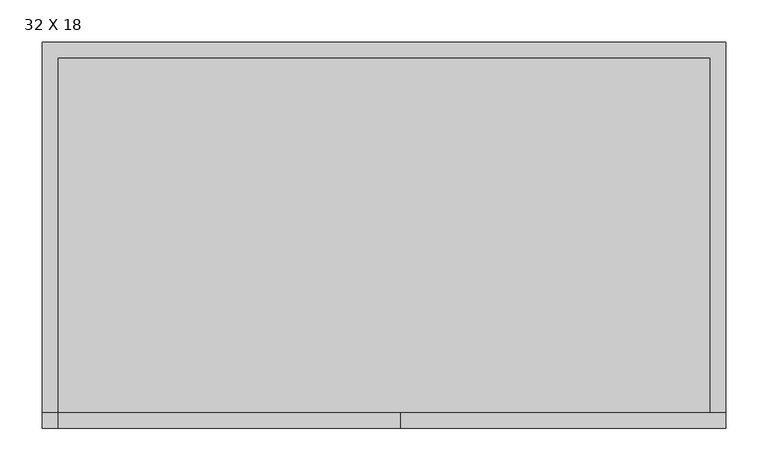
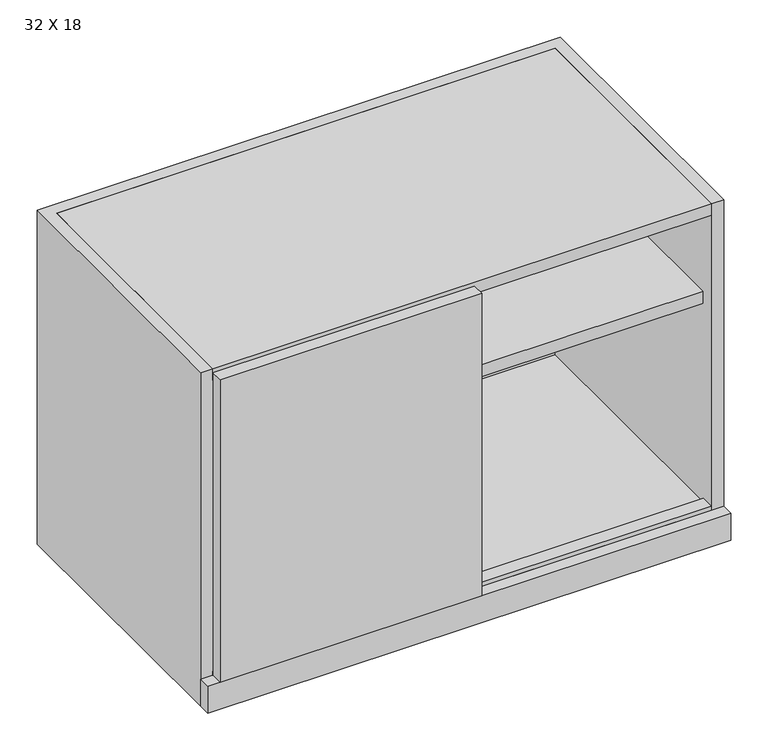
"""IFC4 building model written with IfcOpenShell, lengths in millimetres: furniture geometry, 32 X 18."""

import ifcopenshell
import ifcopenshell.guid

model = None  # the IFC model being written
_history = None  # IfcOwnerHistory: only IFC2X3 demands one
_inside = {}  # id of a spatial element -> (the spatial element, [elements in it])
_under = {}  # id of a project, library or spatial element -> (it, [spatial elements below it])
_declared = {}  # id of a project -> (the project, [libraries it declares])
_typed = {}  # id of a type object -> (the type object, [elements of that type])
_made_of = {}  # id of a material, layer set ... -> (it, [elements and type objects made of it])


def new_model(schema):
    """Start an empty IFC model of exactly this schema.

    Asked for "IFC4X3", IfcOpenShell would pick the latest addendum, in which some entities
    have other attributes; the version numbers below select the first issue.
    IFC2X3 requires an IfcOwnerHistory on every rooted entity: one is made here for all.
    """
    global model, _history
    if schema == "IFC4X3":
        model = ifcopenshell.file(schema_version=(4, 3, 0, 0))
    else:
        model = ifcopenshell.file(schema=schema)
    _inside.clear()
    _under.clear()
    _declared.clear()
    _typed.clear()
    _made_of.clear()
    _history = None
    if model.schema == "IFC2X3":
        org = make("IfcOrganization", Name="unknown")
        user = make(
            "IfcPersonAndOrganization",
            ThePerson=make("IfcPerson", FamilyName="unknown"),
            TheOrganization=org,
        )
        app = make(
            "IfcApplication",
            ApplicationDeveloper=org,
            Version="unknown",
            ApplicationFullName="unknown",
            ApplicationIdentifier="unknown",
        )
        _history = make(
            "IfcOwnerHistory",
            OwningUser=user,
            OwningApplication=app,
            ChangeAction="ADDED",
            CreationDate=0,
        )
    return model


def make(cls, **values):
    """One entity of the class cls with the attributes given. An attribute that is None is left unset."""
    return model.create_entity(
        cls, **{name: value for name, value in values.items() if value is not None}
    )


def rooted(cls, **values):
    """An entity with a GlobalId (a new one), such as an element, a storey or a relation."""
    return make(cls, GlobalId=ifcopenshell.guid.new(), OwnerHistory=_history, **values)


def si_unit(unit_type, name, prefix=None):
    """IfcSIUnit, for example si_unit("LENGTHUNIT", "METRE", prefix="MILLI")."""
    return make("IfcSIUnit", UnitType=unit_type, Prefix=prefix, Name=name)


def assignment(units):
    """IfcUnitAssignment: the units of a project."""
    return None if units is None else make("IfcUnitAssignment", Units=units)


def point(xyz):
    """IfcCartesianPoint."""
    return None if xyz is None else make("IfcCartesianPoint", Coordinates=xyz)


def direction(xyz):
    """IfcDirection."""
    return None if xyz is None else make("IfcDirection", DirectionRatios=xyz)


def frame(location, z_axis=None, x_axis=None):
    """IfcAxis2Placement3D, a coordinate frame: its origin and axes. An axis left out is left unset."""
    return make(
        "IfcAxis2Placement3D",
        Location=point(location),
        Axis=direction(z_axis),
        RefDirection=direction(x_axis),
    )


def origin():
    """The frame at (0, 0, 0) with its axes left unset."""
    return frame((0.0, 0.0, 0.0))


def origin_with_axes():
    """The frame at (0, 0, 0) with the z axis (0, 0, 1) and the x axis (1, 0, 0) written out."""
    return frame((0.0, 0.0, 0.0), z_axis=(0.0, 0.0, 1.0), x_axis=(1.0, 0.0, 0.0))


def place(relative_to, where):
    """IfcLocalPlacement: puts the frame where relative to a parent placement (None: the world)."""
    return make(
        "IfcLocalPlacement", PlacementRelTo=relative_to, RelativePlacement=where
    )


def context(
    kind, dimensions, precision=None, world=None, true_north=None, identifier=None
):
    """IfcGeometricRepresentationContext, for example the 3D "Model" context."""
    return make(
        "IfcGeometricRepresentationContext",
        ContextIdentifier=identifier,
        ContextType=kind,
        CoordinateSpaceDimension=dimensions,
        Precision=precision,
        WorldCoordinateSystem=world,
        TrueNorth=true_north,
    )


def project(units=None, contexts=None):
    """IfcProject with its units and contexts."""
    return rooted(
        "IfcProject",
        Name="project",
        RepresentationContexts=contexts,
        UnitsInContext=assignment(units),
    )


def spatial(cls, under=None, at=None, **own):
    """A site, building, storey or space (cls), placed at a placement, below another one or the project."""
    s = rooted(cls, ObjectPlacement=at, **own)
    if under is not None:
        _under.setdefault(under.id(), (under, []))[1].append(s)
    return s


def polyline(points):
    """IfcPolyline through the points."""
    return make("IfcPolyline", Points=[point(p) for p in points])


def outline(outer, holes=None, kind="AREA"):
    """IfcArbitraryClosedProfileDef: a profile drawn as a closed curve; with holes, ...WithVoids."""
    if holes is None:
        return make("IfcArbitraryClosedProfileDef", ProfileType=kind, OuterCurve=outer)
    return make(
        "IfcArbitraryProfileDefWithVoids",
        ProfileType=kind,
        OuterCurve=outer,
        InnerCurves=holes,
    )


def extrude(swept, where, along, depth):
    """IfcExtrudedAreaSolid: the profile swept, set in the frame where, extruded along a direction by depth."""
    return make(
        "IfcExtrudedAreaSolid",
        SweptArea=swept,
        Position=where,
        ExtrudedDirection=direction(along),
        Depth=depth,
    )


def shape(context_of_items, identifier, shape_type, items):
    """IfcShapeRepresentation: the items that make up one representation, for example the "Body"."""
    return make(
        "IfcShapeRepresentation",
        ContextOfItems=context_of_items,
        RepresentationIdentifier=identifier,
        RepresentationType=shape_type,
        Items=items,
    )


def source(mapping_origin, context_of_items, identifier, shape_type, items):
    """IfcRepresentationMap: a shape defined once, which mapped items show again and again."""
    return make(
        "IfcRepresentationMap",
        MappingOrigin=mapping_origin,
        MappedRepresentation=shape(context_of_items, identifier, shape_type, items),
    )


def transform(
    local_origin,
    x_axis=None,
    y_axis=None,
    z_axis=None,
    scale=None,
    scale2=None,
    scale3=None,
    uniform=True,
):
    """IfcCartesianTransformationOperator3D, or its non-uniform kind. x_axis, y_axis, z_axis: its Axis1, 2, 3."""
    if uniform:
        return make(
            "IfcCartesianTransformationOperator3D",
            Axis1=direction(x_axis),
            Axis2=direction(y_axis),
            LocalOrigin=point(local_origin),
            Scale=scale,
            Axis3=direction(z_axis),
        )
    return make(
        "IfcCartesianTransformationOperator3DnonUniform",
        Axis1=direction(x_axis),
        Axis2=direction(y_axis),
        LocalOrigin=point(local_origin),
        Scale=scale,
        Axis3=direction(z_axis),
        Scale2=scale2,
        Scale3=scale3,
    )


def mapped(mapping_source, mapping_target):
    """IfcMappedItem: shows the shape of a source again, moved by a transform."""
    return make(
        "IfcMappedItem", MappingSource=mapping_source, MappingTarget=mapping_target
    )


def made_of(thing, what):
    """Note that an element or type object is made of a material, layer set ...; save() writes the relation."""
    if what is not None:
        _made_of.setdefault(what.id(), (what, []))[1].append(thing)
    return thing


def element(
    cls,
    number,
    at=None,
    inside=None,
    cuts=None,
    type_object=None,
    material=None,
    context=None,
    identifier="Body",
    shape_type=None,
    held_by="IfcProductDefinitionShape",
    body=None,
    shapes=None,
    **own,
):
    """One element of the class cls, such as IfcWall. Its Tag is "e" and its number.

    at: its placement. inside: the storey or other place that contains it. cuts: it is an
    opening in that element (IfcRelVoidsElement). A single representation is given by context,
    identifier, shape_type and body (its items); several are given by shapes. held_by: the class
    of the entity that holds the representations. save() writes the other relations.
    """
    e = rooted(cls, Tag="e%d" % number, ObjectPlacement=at, **own)
    if body is not None:
        shapes = [shape(context, identifier, shape_type, body)]
    if shapes is not None:
        e.Representation = make(held_by, Representations=shapes)
    if inside is not None:
        _inside.setdefault(inside.id(), (inside, []))[1].append(e)
    if cuts is not None:
        rooted(
            "IfcRelVoidsElement", RelatingBuildingElement=cuts, RelatedOpeningElement=e
        )
    if type_object is not None:
        _typed.setdefault(type_object.id(), (type_object, []))[1].append(e)
    return made_of(e, material)


def aggregate(whole, parts):
    """IfcRelAggregates: a whole, such as a stair, and the parts it consists of."""
    return rooted("IfcRelAggregates", RelatingObject=whole, RelatedObjects=parts)


def save(model, path):
    """Write the relations noted so far, then the file.

    IfcRelAggregates (storeys below a building ...), IfcRelContainedInSpatialStructure (elements
    in a storey), IfcRelDefinesByType, IfcRelAssociatesMaterial and IfcRelDeclares: one each for
    every whole, place, type object, material and project.
    """
    for whole, parts in _under.values():
        aggregate(whole, parts)
    for where, things in _inside.values():
        rooted(
            "IfcRelContainedInSpatialStructure",
            RelatedElements=things,
            RelatingStructure=where,
        )
    for kind, things in _typed.values():
        rooted("IfcRelDefinesByType", RelatedObjects=things, RelatingType=kind)
    for what, things in _made_of.values():
        rooted("IfcRelAssociatesMaterial", RelatedObjects=things, RelatingMaterial=what)
    for by, libraries in _declared.values():
        rooted("IfcRelDeclares", RelatingContext=by, RelatedDefinitions=libraries)
    model.write(path)


def furniture_32_x_18_d1da97ee(model_context):
    return source(origin(), model_context, "Body", "SweptSolid", [
        extrude(outline(polyline([(98.425, -539.75), (98.425, -558.8), (-306.3875, -558.8), (-306.3875, -539.75), (98.425, -539.75)])), frame((0.0, 0.0, 44.45), z_axis=(0.0, 0.0, 1.0), x_axis=(1.0, 0.0, 0.0)), (0.0, 0.0, 1.0), 495.3),
        extrude(outline(polyline([(-306.3875, -539.75), (-306.3875, -517.525), (465.1375, -517.525), (465.1375, -539.75), (-306.3875, -539.75)])), frame((0.0, 0.0, 44.45), z_axis=(0.0, 0.0, 1.0), x_axis=(1.0, 0.0, 0.0)), (0.0, 0.0, 1.0), 6.35),
        extrude(outline(polyline([(465.1375, -120.65), (465.1375, -539.75), (-306.3875, -539.75), (-306.3875, -120.65), (465.1375, -120.65)])), origin_with_axes(), (0.0, 0.0, 1.0), 44.45),
        extrude(outline(polyline([(465.1375, -120.65), (465.1375, -517.525), (-306.3875, -517.525), (-306.3875, -120.65), (465.1375, -120.65)])), frame((0.0, 0.0, 369.8875), z_axis=(0.0, 0.0, 1.0), x_axis=(1.0, 0.0, 0.0)), (0.0, 0.0, 1.0), 19.05),
        extrude(outline(polyline([(484.1875, -539.75), (484.1875, -558.8), (-325.4375, -558.8), (-325.4375, -539.75), (484.1875, -539.75)])), origin_with_axes(), (0.0, 0.0, 1.0), 44.45),
        extrude(outline(polyline([(465.1375, -120.65), (465.1375, -539.75), (-306.3875, -539.75), (-306.3875, -120.65), (465.1375, -120.65)])), frame((0.0, 0.0, 527.05), z_axis=(0.0, 0.0, 1.0), x_axis=(1.0, 0.0, 0.0)), (0.0, 0.0, 1.0), 19.05),
        extrude(outline(polyline([(484.1875, -101.6), (484.1875, -539.75), (465.1375, -539.75), (465.1375, -120.65), (-306.3875, -120.65), (-306.3875, -539.75), (-325.4375, -539.75), (-325.4375, -101.6), (484.1875, -101.6)])), origin_with_axes(), (0.0, 0.0, 1.0), 546.1),
    ])


if __name__ == "__main__":
    model = new_model("IFC4")
    model_context = context("Model", 3, world=origin())
    ifc_project = project(units=[si_unit("LENGTHUNIT", "METRE", prefix="MILLI")], contexts=[model_context])
    site = spatial("IfcSite", under=ifc_project)
    building = spatial("IfcBuilding", under=site)
    placement = place(None, origin())
    furniture_32_x_18_shape = furniture_32_x_18_d1da97ee(model_context)
    element("IfcFurniture", 1, ObjectType="32 X 18", at=placement, inside=building, context=model_context, shape_type="MappedRepresentation", body=[
        mapped(furniture_32_x_18_shape, transform((0.0, 0.0, 0.0), x_axis=(1.0, 0.0, 0.0), y_axis=(0.0, 1.0, 0.0), z_axis=(0.0, 0.0, 1.0))),
    ])
    save(model, "model.ifc")
